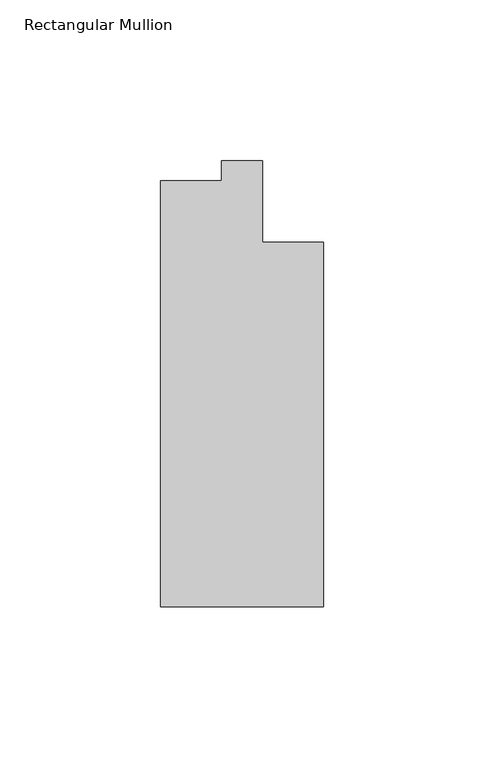
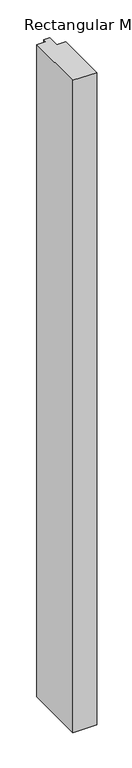
"""IFC4 building model written with IfcOpenShell, lengths in millimetres: member geometry, Rectangular Mullion."""

from ifc_helpers import new_model, si_unit, frame, origin, place, context, project, spatial, polyline, outline, extrude, source, transform, mapped, element, save


def rectangular_mullion_d21dc076(model_context):
    return source(origin(), model_context, "Body", "SweptSolid", [
        extrude(outline(polyline([(-25.4, -138.90625), (-25.4, -6.35), (-6.35, -6.35), (-6.35, 0.0), (6.35, 0.0), (6.35, -25.4), (25.4, -25.4), (25.4, -138.90625), (-25.4, -138.90625)])), frame((0.0, 0.0, -1460.5), z_axis=(0.0, 0.0, 1.0), x_axis=(1.0, 0.0, 0.0)), (0.0, 0.0, 1.0), 1460.5),
    ])


if __name__ == "__main__":
    model = new_model("IFC4")
    model_context = context("Model", 3, world=origin())
    ifc_project = project(units=[si_unit("LENGTHUNIT", "METRE", prefix="MILLI")], contexts=[model_context])
    site = spatial("IfcSite", under=ifc_project)
    building = spatial("IfcBuilding", under=site)
    placement = place(None, origin())
    rectangular_mullion_shape = rectangular_mullion_d21dc076(model_context)
    element("IfcMember", 1, ObjectType="Rectangular Mullion", at=placement, inside=building, context=model_context, shape_type="MappedRepresentation", body=[
        mapped(rectangular_mullion_shape, transform((0.0, 0.0, 0.0), x_axis=(1.0, 0.0, 0.0), y_axis=(0.0, 1.0, 0.0), z_axis=(0.0, 0.0, 1.0))),
    ])
    save(model, "model.ifc")
